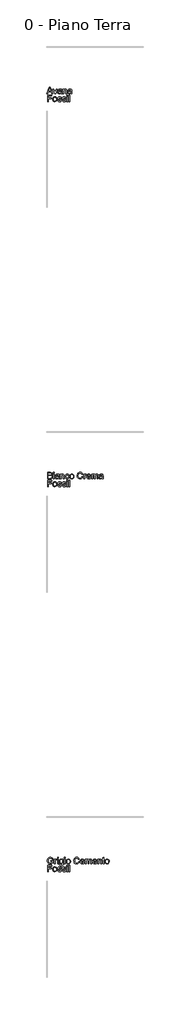
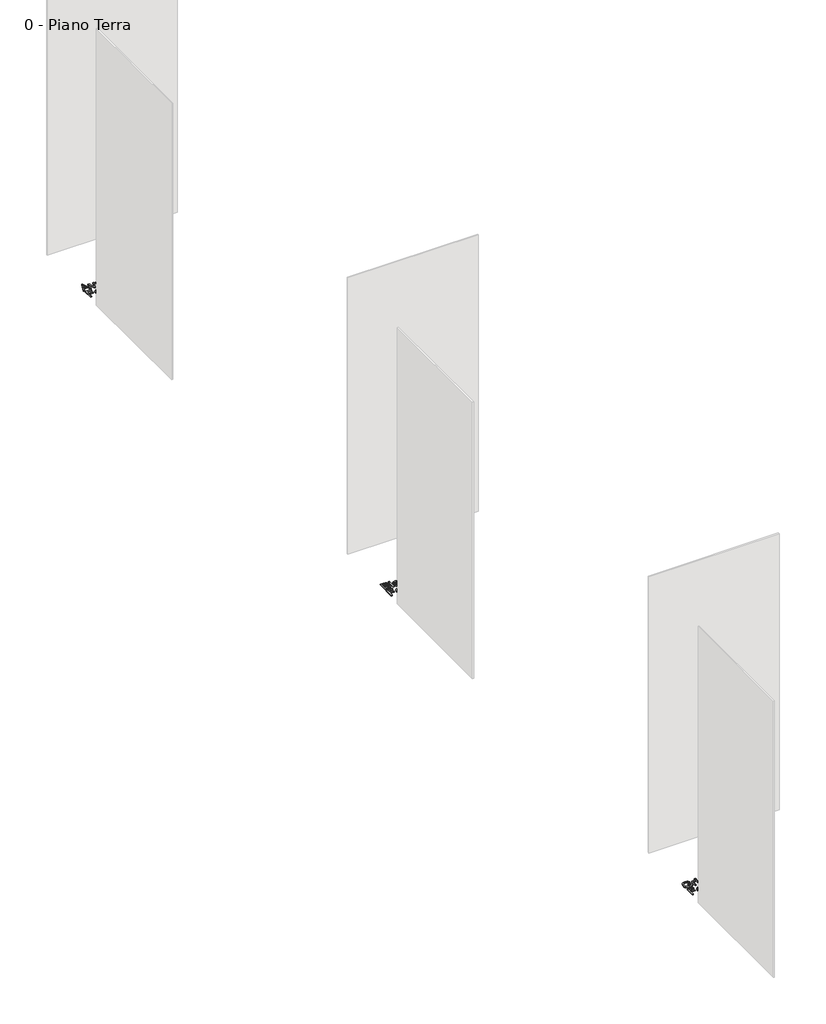
# One storey, part 3 of 35: 3 proxies.
"""IFC4 building model written with IfcOpenShell, lengths in millimetres."""

from ifc_helpers import new_model, si_unit, origin, origin_with_axes, place, context, project, spatial, polyline, outline, extrude, element, save

model = new_model("IFC4")

# Units and contexts
model_context = context("Model", 3, world=origin())
ifc_project = project(units=[si_unit("LENGTHUNIT", "METRE", prefix="MILLI")], contexts=[model_context])

# Site, building, storey
site = spatial("IfcSite", under=ifc_project)
building = spatial("IfcBuilding", under=site)
storey = spatial("IfcBuildingStorey", under=building, Name="0 - Piano Terra", Elevation=0.0)

# Proxies
placement = place(None, origin())
element("IfcBuildingElementProxy", 1, Name="Testo modello 1", ObjectType="Testo modello 1", at=placement, inside=storey, context=model_context, shape_type="SweptSolid", body=[
    extrude(outline(polyline([(-17279.9693984, -48273.7592352), (-17239.8702609, -48173.302925), (-17229.1771576, -48173.302925), (-17189.0780201, -48273.7592352), (-17202.3462974, -48273.7592352), (-17213.8487411, -48242.3666382), (-17255.2232028, -48242.3666382), (-17266.7011211, -48273.7592352), (-17279.9693984, -48273.7592352)]), holes=[polyline([(-17250.6124152, -48229.8095995), (-17218.4350033, -48229.8095995), (-17227.4849004, -48205.1124549), (-17234.5237092, -48185.8599638), (-17240.7777032, -48202.9542138), (-17250.6124152, -48229.8095995)])]), origin_with_axes(), (0.0, 0.0, 1.0), 10.0),
    extrude(outline(polyline([(-17159.1324257, -48273.7592352), (-17185.0803691, -48199.9866324), (-17171.7875663, -48199.9866324), (-17156.0667424, -48244.1815227), (-17151.3333274, -48259.0439553), (-17146.6980143, -48245.0153886), (-17130.8790885, -48199.9866324), (-17117.5862857, -48199.9866324), (-17143.215398, -48273.7592352), (-17159.1324257, -48273.7592352)])), origin_with_axes(), (0.0, 0.0, 1.0), 10.0),
    extrude(outline(polyline([(-17059.5099814, -48264.3414561), (-17071.6868754, -48272.8517929), (-17085.1390937, -48275.328865), (-17095.6329276, -48273.8389429), (-17103.373778, -48269.3691767), (-17108.1470468, -48262.5817539), (-17109.7381365, -48254.1388621), (-17107.3346408, -48244.2060482), (-17101.0193332, -48236.9955611), (-17092.2269535, -48232.8752828), (-17081.3621719, -48230.9868218), (-17059.5835578, -48226.6703398), (-17059.5099814, -48223.8744366), (-17062.9680721, -48214.6038103), (-17076.8494861, -48210.9740413), (-17089.5536777, -48213.3897997), (-17095.6114679, -48221.9614502), (-17108.1685066, -48220.3918204), (-17102.7361158, -48208.1290872), (-17091.7977578, -48200.9431256), (-17075.2308053, -48198.4170025), (-17060.0127535, -48200.64882), (-17051.4165775, -48206.252889), (-17047.5660793, -48214.7754886), (-17046.9529426, -48225.7628975), (-17046.9529426, -48241.3856196), (-17046.3152805, -48263.2010219), (-17043.8136829, -48273.7592352), (-17056.3707217, -48273.7592352), (-17059.5099814, -48264.3414561)]), holes=[polyline([(-17059.5099814, -48239.2273785), (-17079.7680166, -48243.0778768), (-17090.5714845, -48245.1134905), (-17095.4643151, -48248.4244284), (-17097.1810977, -48253.2559453), (-17093.4409641, -48260.0494995), (-17082.4658179, -48262.7718262), (-17069.7616263, -48259.7674566), (-17061.5701206, -48252.4956558), (-17059.5835578, -48242.7835712), (-17059.5099814, -48239.2273785)])]), origin_with_axes(), (0.0, 0.0, 1.0), 10.0),
    extrude(outline(polyline([(-17029.6870143, -48273.7592352), (-17029.6870143, -48199.9866324), (-17017.1299756, -48199.9866324), (-17017.1299756, -48210.2873283), (-17007.5282555, -48201.384584), (-16994.4193937, -48198.4170025), (-16982.5613307, -48200.8082355), (-16974.4679268, -48207.0867549), (-16970.7032678, -48216.320593), (-16970.0410802, -48228.4606988), (-16970.0410802, -48273.7592352), (-16982.5981189, -48273.7592352), (-16982.5981189, -48230.152956), (-16984.0451215, -48219.0429197), (-16989.1586812, -48213.1690705), (-16997.7793826, -48210.9740413), (-17011.4032792, -48215.90366), (-17015.6983015, -48223.0467021), (-17017.1299756, -48234.6165909), (-17017.1299756, -48273.7592352), (-17029.6870143, -48273.7592352)])), origin_with_axes(), (0.0, 0.0, 1.0), 10.0),
    extrude(outline(polyline([(-16905.6862565, -48264.3414561), (-16917.8631505, -48272.8517929), (-16931.3153688, -48275.328865), (-16941.8092027, -48273.8389429), (-16949.550053, -48269.3691767), (-16954.3233219, -48262.5817539), (-16955.9144116, -48254.1388621), (-16953.5109159, -48244.2060482), (-16947.1956083, -48236.9955611), (-16938.4032286, -48232.8752828), (-16927.538447, -48230.9868218), (-16905.7598329, -48226.6703398), (-16905.6862565, -48223.8744366), (-16909.1443472, -48214.6038103), (-16923.0257612, -48210.9740413), (-16935.7299528, -48213.3897997), (-16941.7877429, -48221.9614502), (-16954.3447817, -48220.3918204), (-16948.9123909, -48208.1290872), (-16937.9740329, -48200.9431256), (-16921.4070804, -48198.4170025), (-16906.1890285, -48200.64882), (-16897.5928526, -48206.252889), (-16893.7423544, -48214.7754886), (-16893.1292177, -48225.7628975), (-16893.1292177, -48241.3856196), (-16892.4915556, -48263.2010219), (-16889.989958, -48273.7592352), (-16902.5469968, -48273.7592352), (-16905.6862565, -48264.3414561)]), holes=[polyline([(-16905.6862565, -48239.2273785), (-16925.9442917, -48243.0778768), (-16936.7477596, -48245.1134905), (-16941.6405901, -48248.4244284), (-16943.3573728, -48253.2559453), (-16939.6172392, -48260.0494995), (-16928.642093, -48262.7718262), (-16915.9379014, -48259.7674566), (-16907.7463957, -48252.4956558), (-16905.7598329, -48242.7835712), (-16905.6862565, -48239.2273785)])]), origin_with_axes(), (0.0, 0.0, 1.0), 10.0),
    extrude(outline(polyline([(-17268.2707509, -48395.734053), (-17268.2707509, -48295.2777428), (-17200.7766675, -48295.2777428), (-17200.7766675, -48307.8347816), (-17255.7137122, -48307.8347816), (-17255.7137122, -48337.6577487), (-17208.6248168, -48337.6577487), (-17208.6248168, -48350.2147875), (-17255.7137122, -48350.2147875), (-17255.7137122, -48395.734053), (-17268.2707509, -48395.734053)])), origin_with_axes(), (0.0, 0.0, 1.0), 10.0),
    extrude(outline(polyline([(-17188.2196288, -48358.8477516), (-17185.5034334, -48341.0606571), (-17177.3548472, -48328.5588007), (-17167.2871432, -48322.4335655), (-17155.2328765, -48320.3918204), (-17142.0412413, -48322.8780895), (-17131.5044879, -48330.336897), (-17124.5975034, -48342.1796315), (-17122.2951752, -48357.817682), (-17126.3664027, -48380.1603819), (-17138.2244656, -48392.8032598), (-17155.2328765, -48397.3036828), (-17168.5839273, -48394.8266107), (-17179.108418, -48387.3953944), (-17185.9418261, -48375.3043395), (-17188.2196288, -48358.8477516)]), holes=[polyline([(-17175.66259, -48358.8232261), (-17174.2094561, -48370.1877141), (-17169.8500545, -48378.2841837), (-17163.2894922, -48383.131029), (-17155.2328765, -48384.7466441), (-17147.213049, -48383.1218319), (-17140.6647495, -48378.2473955), (-17136.3053479, -48370.043627), (-17134.852214, -48358.4308187), (-17136.3145449, -48347.3974245), (-17140.7015377, -48339.4113195), (-17147.2590343, -48334.5644742), (-17155.2328765, -48332.9488592), (-17163.2894922, -48334.5583429), (-17169.8500545, -48339.3867941), (-17174.2094561, -48347.4648695), (-17175.66259, -48358.8232261)])]), origin_with_axes(), (0.0, 0.0, 1.0), 10.0),
    extrude(outline(polyline([(-17112.8773962, -48373.7592352), (-17100.3203574, -48372.1896053), (-17094.5078219, -48381.5092825), (-17081.1904936, -48384.7466441), (-17068.3882002, -48381.7790626), (-17064.2188709, -48374.8138302), (-17068.4127257, -48369.1729729), (-17081.3376464, -48365.5922549), (-17100.246781, -48359.4486255), (-17108.4996004, -48352.2749266), (-17111.3077663, -48342.145909), (-17109.0514234, -48332.7894436), (-17102.8955314, -48325.6402702), (-17094.9124921, -48321.924662), (-17084.1090241, -48320.3918204), (-17068.8296586, -48322.8566298), (-17059.1175739, -48329.5275566), (-17054.8010919, -48340.7970084), (-17067.3581306, -48342.3666382), (-17072.0792829, -48335.438194), (-17083.1280055, -48332.9488592), (-17095.145484, -48335.3278294), (-17098.7507275, -48340.8705848), (-17097.2546741, -48344.5248793), (-17092.57031, -48347.296257), (-17081.7545794, -48349.9695328), (-17063.3236914, -48355.8801702), (-17054.7643037, -48362.5756225), (-17051.6618322, -48373.489455), (-17055.3038639, -48385.5069335), (-17065.8130262, -48394.2257368), (-17081.3621719, -48397.3036828), (-17094.0234439, -48395.8198921), (-17103.2634134, -48391.36852), (-17109.4315681, -48383.9986174), (-17112.8773962, -48373.7592352)])), origin_with_axes(), (0.0, 0.0, 1.0), 10.0),
    extrude(outline(polyline([(-17042.2440531, -48373.7592352), (-17029.6870143, -48372.1896053), (-17023.8744788, -48381.5092825), (-17010.5571506, -48384.7466441), (-16997.7548571, -48381.7790626), (-16993.5855279, -48374.8138302), (-16997.7793826, -48369.1729729), (-17010.7043034, -48365.5922549), (-17029.6134379, -48359.4486255), (-17037.8662573, -48352.2749266), (-17040.6744232, -48342.145909), (-17038.4180803, -48332.7894436), (-17032.2621883, -48325.6402702), (-17024.279149, -48321.924662), (-17013.4756811, -48320.3918204), (-16998.1963155, -48322.8566298), (-16988.4842309, -48329.5275566), (-16984.1677488, -48340.7970084), (-16996.7247876, -48342.3666382), (-17001.4459398, -48335.438194), (-17012.4946624, -48332.9488592), (-17024.5121409, -48335.3278294), (-17028.1173845, -48340.8705848), (-17026.621331, -48344.5248793), (-17021.936967, -48347.296257), (-17011.1212363, -48349.9695328), (-16992.6903483, -48355.8801702), (-16984.1309606, -48362.5756225), (-16981.0284891, -48373.489455), (-16984.6705208, -48385.5069335), (-16995.1796832, -48394.2257368), (-17010.7288288, -48397.3036828), (-17023.3901008, -48395.8198921), (-17032.6300703, -48391.36852), (-17038.7982251, -48383.9986174), (-17042.2440531, -48373.7592352)])), origin_with_axes(), (0.0, 0.0, 1.0), 10.0),
    extrude(outline(polyline([(-16966.9018205, -48307.8347816), (-16966.9018205, -48295.2777428), (-16954.3447817, -48295.2777428), (-16954.3447817, -48307.8347816), (-16966.9018205, -48307.8347816)])), origin_with_axes(), (0.0, 0.0, 1.0), 10.0),
    extrude(outline(polyline([(-16966.9018205, -48395.734053), (-16966.9018205, -48321.9614502), (-16954.3447817, -48321.9614502), (-16954.3447817, -48395.734053), (-16966.9018205, -48395.734053)])), origin_with_axes(), (0.0, 0.0, 1.0), 10.0),
    extrude(outline(polyline([(-16935.5092236, -48395.734053), (-16935.5092236, -48295.2777428), (-16922.9521848, -48295.2777428), (-16922.9521848, -48395.734053), (-16935.5092236, -48395.734053)])), origin_with_axes(), (0.0, 0.0, 1.0), 10.0),
])
element("IfcBuildingElementProxy", 2, Name="Testo modello 1", ObjectType="Testo modello 1", at=placement, inside=storey, context=model_context, shape_type="SweptSolid", body=[
    extrude(outline(polyline([(-17268.2707509, -54273.7592352), (-17268.2707509, -54173.302925), (-17229.937447, -54173.302925), (-17211.1632025, -54176.2582437), (-17200.0776918, -54185.344929), (-17196.067778, -54198.1962733), (-17199.4400296, -54209.931709), (-17209.6303609, -54218.8221905), (-17197.2572631, -54228.1909187), (-17192.9285183, -54243.8136407), (-17195.883837, -54257.31491), (-17203.2046887, -54266.9288928), (-17214.130784, -54272.0301898), (-17230.2317526, -54273.7592352), (-17268.2707509, -54273.7592352)]), holes=[polyline([(-17255.7137122, -54214.113301), (-17232.7824011, -54214.113301), (-17219.3914965, -54213.0341805), (-17211.3348808, -54208.3866046), (-17208.6248168, -54200.2073616), (-17211.1509398, -54192.0158558), (-17218.3859524, -54187.1720762), (-17234.5237092, -54185.8599638), (-17255.7137122, -54185.8599638), (-17255.7137122, -54214.113301)]), polyline([(-17255.7137122, -54261.2021964), (-17229.9619725, -54261.2021964), (-17220.6422953, -54260.7116871), (-17212.7573579, -54257.9770976), (-17207.5334335, -54252.397554), (-17205.4855571, -54243.9362681), (-17207.8890528, -54234.1751325), (-17215.6758883, -54228.3503342), (-17231.1882458, -54226.6703398), (-17255.7137122, -54226.6703398), (-17255.7137122, -54261.2021964)])]), origin_with_axes(), (0.0, 0.0, 1.0), 10.0),
    extrude(outline(polyline([(-17177.2322199, -54185.8599638), (-17177.2322199, -54173.302925), (-17164.6751811, -54173.302925), (-17164.6751811, -54185.8599638), (-17177.2322199, -54185.8599638)])), origin_with_axes(), (0.0, 0.0, 1.0), 10.0),
    extrude(outline(polyline([(-17177.2322199, -54273.7592352), (-17177.2322199, -54199.9866324), (-17164.6751811, -54199.9866324), (-17164.6751811, -54273.7592352), (-17177.2322199, -54273.7592352)])), origin_with_axes(), (0.0, 0.0, 1.0), 10.0),
    extrude(outline(polyline([(-17098.7507275, -54264.3414561), (-17110.9276216, -54272.8517929), (-17124.3798399, -54275.328865), (-17134.8736738, -54273.8389429), (-17142.6145241, -54269.3691767), (-17147.387793, -54262.5817539), (-17148.9788826, -54254.1388621), (-17146.5753869, -54244.2060482), (-17140.2600793, -54236.9955611), (-17131.4676997, -54232.8752828), (-17120.6029181, -54230.9868218), (-17098.8243039, -54226.6703398), (-17098.7507275, -54223.8744366), (-17102.2088183, -54214.6038103), (-17116.0902323, -54210.9740413), (-17128.7944238, -54213.3897997), (-17134.852214, -54221.9614502), (-17147.4092528, -54220.3918204), (-17141.976862, -54208.1290872), (-17131.038504, -54200.9431256), (-17114.4715515, -54198.4170025), (-17099.2534996, -54200.64882), (-17090.6573237, -54206.252889), (-17086.8068254, -54214.7754886), (-17086.1936888, -54225.7628975), (-17086.1936888, -54241.3856196), (-17085.5560267, -54263.2010219), (-17083.0544291, -54273.7592352), (-17095.6114679, -54273.7592352), (-17098.7507275, -54264.3414561)]), holes=[polyline([(-17098.7507275, -54239.2273785), (-17119.0087627, -54243.0778768), (-17129.8122307, -54245.1134905), (-17134.7050612, -54248.4244284), (-17136.4218439, -54253.2559453), (-17132.6817102, -54260.0494995), (-17121.706564, -54262.7718262), (-17109.0023725, -54259.7674566), (-17100.8108667, -54252.4956558), (-17098.8243039, -54242.7835712), (-17098.7507275, -54239.2273785)])]), origin_with_axes(), (0.0, 0.0, 1.0), 10.0),
    extrude(outline(polyline([(-17068.9277605, -54273.7592352), (-17068.9277605, -54199.9866324), (-17056.3707217, -54199.9866324), (-17056.3707217, -54210.2873283), (-17046.7690016, -54201.384584), (-17033.6601399, -54198.4170025), (-17021.8020769, -54200.8082355), (-17013.708673, -54207.0867549), (-17009.9440139, -54216.320593), (-17009.2818263, -54228.4606988), (-17009.2818263, -54273.7592352), (-17021.8388651, -54273.7592352), (-17021.8388651, -54230.152956), (-17023.2858676, -54219.0429197), (-17028.3994273, -54213.1690705), (-17037.0201288, -54210.9740413), (-17050.6440253, -54215.90366), (-17054.9390476, -54223.0467021), (-17056.3707217, -54234.6165909), (-17056.3707217, -54273.7592352), (-17068.9277605, -54273.7592352)])), origin_with_axes(), (0.0, 0.0, 1.0), 10.0),
    extrude(outline(polyline([(-16944.9270026, -54247.0755278), (-16932.3699639, -54248.6451576), (-16935.8709742, -54259.8134419), (-16942.4499305, -54268.253268), (-16951.4875649, -54273.5599657), (-16962.3646092, -54275.328865), (-16975.7217913, -54272.8609899), (-16986.1665743, -54265.4573648), (-16992.9080119, -54253.442952), (-16995.1551577, -54237.1427139), (-16991.3169222, -54216.2838048), (-16979.6182748, -54202.8806374), (-16962.5362875, -54198.4170025), (-16951.9259576, -54199.9498442), (-16943.4432119, -54204.5483691), (-16937.3578306, -54211.9673227), (-16933.9395937, -54221.9614502), (-16946.4966325, -54223.5310801), (-16952.3214307, -54214.1255637), (-16962.4381856, -54210.9740413), (-16970.5530493, -54212.5252771), (-16976.9940499, -54217.1789843), (-16981.1971017, -54225.1865491), (-16982.5981189, -54236.7993574), (-16981.2277585, -54248.5685155), (-16977.1166772, -54256.6036714), (-16970.7921726, -54261.2297875), (-16962.7815421, -54262.7718262), (-16950.9480046, -54258.921328), (-16944.9270026, -54247.0755278)])), origin_with_axes(), (0.0, 0.0, 1.0), 10.0),
    extrude(outline(polyline([(-16924.5218146, -54236.8729338), (-16921.8056192, -54219.0858393), (-16913.657033, -54206.5839828), (-16903.5893291, -54200.4587476), (-16891.5350624, -54198.4170025), (-16878.3434272, -54200.9032717), (-16867.8066737, -54208.3620791), (-16860.8996892, -54220.2048137), (-16858.5973611, -54235.8428642), (-16862.6685885, -54258.185564), (-16874.5266515, -54270.8284419), (-16891.5350624, -54275.328865), (-16904.8861131, -54272.8517929), (-16915.4106039, -54265.4205766), (-16922.2440119, -54253.3295217), (-16924.5218146, -54236.8729338)]), holes=[polyline([(-16911.9647759, -54236.8484083), (-16910.511642, -54248.2128963), (-16906.1522403, -54256.3093658), (-16899.5916781, -54261.1562111), (-16891.5350624, -54262.7718262), (-16883.5152349, -54261.1470141), (-16876.9669354, -54256.2725776), (-16872.6075337, -54248.0688092), (-16871.1543999, -54236.4560008), (-16872.6167308, -54225.4226067), (-16877.0037236, -54217.4365017), (-16883.5612202, -54212.5896564), (-16891.5350624, -54210.9740413), (-16899.5916781, -54212.583525), (-16906.1522403, -54217.4119762), (-16910.511642, -54225.4900517), (-16911.9647759, -54236.8484083)])]), origin_with_axes(), (0.0, 0.0, 1.0), 10.0),
    extrude(outline(polyline([(-16733.0269734, -54238.0501562), (-16720.4699346, -54241.2875177), (-16726.2640761, -54255.9200241), (-16735.3568927, -54266.6100617), (-16747.3007948, -54273.1491642), (-16761.6481926, -54275.328865), (-16776.213254, -54273.6795274), (-16787.780077, -54268.7315146), (-16796.6460331, -54260.6565048), (-16803.1084935, -54249.6261763), (-16808.369206, -54222.7707906), (-16806.8823496, -54208.1229558), (-16802.4217804, -54195.4739466), (-16795.2204904, -54185.2253673), (-16785.5114714, -54177.7788226), (-16773.9967649, -54173.244677), (-16761.3784125, -54171.7332952), (-16747.6104288, -54173.6892011), (-16736.2275468, -54179.5569189), (-16727.5853856, -54188.974698), (-16722.0395645, -54201.5807877), (-16734.5966033, -54204.5728946), (-16744.8972991, -54189.1341135), (-16761.8689218, -54184.2903339), (-16781.5138204, -54189.6614111), (-16792.6115939, -54204.0823853), (-16795.8121673, -54222.7462652), (-16792.0229827, -54244.3777265), (-16780.2262334, -54258.1978268), (-16762.8989914, -54262.7718262), (-16752.4174202, -54261.2144591), (-16743.6832885, -54256.5423578), (-16737.0890038, -54248.8045731), (-16733.0269734, -54238.0501562)])), origin_with_axes(), (0.0, 0.0, 1.0), 10.0),
    extrude(outline(polyline([(-16704.7736362, -54273.7592352), (-16704.7736362, -54199.9866324), (-16693.7862273, -54199.9866324), (-16693.7862273, -54210.9004649), (-16685.987129, -54200.8450237), (-16678.1389797, -54198.4170025), (-16665.53289, -54202.2920262), (-16669.7267448, -54213.5492153), (-16678.5559127, -54210.9740413), (-16685.6560352, -54213.4511134), (-16690.1809837, -54220.318244), (-16692.2165974, -54234.9844729), (-16692.2165974, -54273.7592352), (-16704.7736362, -54273.7592352)])), origin_with_axes(), (0.0, 0.0, 1.0), 10.0),
    extrude(outline(polyline([(-16606.0341087, -54251.7844173), (-16593.7223246, -54253.3540472), (-16598.1583683, -54262.6308048), (-16605.237031, -54269.5653804), (-16614.7988972, -54273.8879938), (-16626.6845513, -54275.328865), (-16641.4182252, -54272.8425958), (-16652.7551221, -54265.3837884), (-16659.9840033, -54253.4368206), (-16662.3936303, -54237.4860704), (-16659.9594778, -54220.9988257), (-16652.6570202, -54208.6686475), (-16641.4734075, -54200.9799138), (-16627.3957899, -54198.4170025), (-16613.7565649, -54200.9737824), (-16602.8580608, -54208.644122), (-16595.711953, -54220.9497747), (-16593.3299171, -54237.412494), (-16593.4034935, -54240.7970084), (-16649.8365916, -54240.7970084), (-16647.6630221, -54250.1963934), (-16642.6138417, -54257.1064435), (-16635.3267125, -54261.3554805), (-16626.4392967, -54262.7718262), (-16614.1275126, -54260.1476013), (-16606.0341087, -54251.7844173)]), holes=[polyline([(-16649.8365916, -54228.2399696), (-16605.8869559, -54228.2399696), (-16610.9146765, -54216.8601532), (-16618.2355282, -54212.4455693), (-16627.4448408, -54210.9740413), (-16642.9081473, -54215.6706681), (-16647.7733867, -54221.1613069), (-16649.8365916, -54228.2399696)])]), origin_with_axes(), (0.0, 0.0, 1.0), 10.0),
    extrude(outline(polyline([(-16580.7728783, -54273.7592352), (-16580.7728783, -54199.9866324), (-16568.2158396, -54199.9866324), (-16568.2158396, -54212.1267382), (-16559.5828754, -54202.1816616), (-16547.2956168, -54198.4170025), (-16534.7140525, -54202.255238), (-16527.797871, -54213.009655), (-16517.9999472, -54202.0651657), (-16505.6268495, -54198.4170025), (-16496.1876106, -54199.9345158), (-16489.2070497, -54204.4870555), (-16484.8936333, -54212.1972489), (-16483.4558279, -54223.1877235), (-16483.4558279, -54273.7592352), (-16496.0128666, -54273.7592352), (-16496.0128666, -54228.5833261), (-16497.1778263, -54218.0986893), (-16501.3962065, -54212.9360786), (-16508.5699054, -54210.9740413), (-16520.9184777, -54216.0017619), (-16524.6064947, -54222.5439301), (-16525.8358337, -54232.1149933), (-16525.8358337, -54273.7592352), (-16538.3928725, -54273.7592352), (-16538.3928725, -54227.1853746), (-16541.2991403, -54215.0207433), (-16550.8272839, -54210.9740413), (-16560.1224357, -54213.6718426), (-16566.3028532, -54221.5690428), (-16568.2158396, -54236.5541027), (-16568.2158396, -54273.7592352), (-16580.7728783, -54273.7592352)])), origin_with_axes(), (0.0, 0.0, 1.0), 10.0),
    extrude(outline(polyline([(-16417.5313743, -54264.3414561), (-16429.7082684, -54272.8517929), (-16443.1604867, -54275.328865), (-16453.6543206, -54273.8389429), (-16461.3951709, -54269.3691767), (-16466.1684398, -54262.5817539), (-16467.7595294, -54254.1388621), (-16465.3560337, -54244.2060482), (-16459.0407261, -54236.9955611), (-16450.2483464, -54232.8752828), (-16439.3835649, -54230.9868218), (-16417.6049507, -54226.6703398), (-16417.5313743, -54223.8744366), (-16420.9894651, -54214.6038103), (-16434.8708791, -54210.9740413), (-16447.5750706, -54213.3897997), (-16453.6328608, -54221.9614502), (-16466.1898996, -54220.3918204), (-16460.7575088, -54208.1290872), (-16449.8191508, -54200.9431256), (-16433.2521983, -54198.4170025), (-16418.0341464, -54200.64882), (-16409.4379705, -54206.252889), (-16405.5874722, -54214.7754886), (-16404.9743356, -54225.7628975), (-16404.9743356, -54241.3856196), (-16404.3366735, -54263.2010219), (-16401.8350759, -54273.7592352), (-16414.3921147, -54273.7592352), (-16417.5313743, -54264.3414561)]), holes=[polyline([(-16417.5313743, -54239.2273785), (-16437.7894095, -54243.0778768), (-16448.5928775, -54245.1134905), (-16453.485708, -54248.4244284), (-16455.2024907, -54253.2559453), (-16451.462357, -54260.0494995), (-16440.4872108, -54262.7718262), (-16427.7830193, -54259.7674566), (-16419.5915135, -54252.4956558), (-16417.6049507, -54242.7835712), (-16417.5313743, -54239.2273785)])]), origin_with_axes(), (0.0, 0.0, 1.0), 10.0),
    extrude(outline(polyline([(-17268.2707509, -54395.734053), (-17268.2707509, -54295.2777428), (-17200.7766675, -54295.2777428), (-17200.7766675, -54307.8347816), (-17255.7137122, -54307.8347816), (-17255.7137122, -54337.6577487), (-17208.6248168, -54337.6577487), (-17208.6248168, -54350.2147875), (-17255.7137122, -54350.2147875), (-17255.7137122, -54395.734053), (-17268.2707509, -54395.734053)])), origin_with_axes(), (0.0, 0.0, 1.0), 10.0),
    extrude(outline(polyline([(-17188.2196288, -54358.8477516), (-17185.5034334, -54341.0606571), (-17177.3548472, -54328.5588007), (-17167.2871432, -54322.4335655), (-17155.2328765, -54320.3918204), (-17142.0412413, -54322.8780895), (-17131.5044879, -54330.336897), (-17124.5975034, -54342.1796315), (-17122.2951752, -54357.817682), (-17126.3664027, -54380.1603819), (-17138.2244656, -54392.8032598), (-17155.2328765, -54397.3036828), (-17168.5839273, -54394.8266107), (-17179.108418, -54387.3953944), (-17185.9418261, -54375.3043395), (-17188.2196288, -54358.8477516)]), holes=[polyline([(-17175.66259, -54358.8232261), (-17174.2094561, -54370.1877141), (-17169.8500545, -54378.2841837), (-17163.2894922, -54383.131029), (-17155.2328765, -54384.7466441), (-17147.213049, -54383.1218319), (-17140.6647495, -54378.2473955), (-17136.3053479, -54370.043627), (-17134.852214, -54358.4308187), (-17136.3145449, -54347.3974245), (-17140.7015377, -54339.4113195), (-17147.2590343, -54334.5644742), (-17155.2328765, -54332.9488592), (-17163.2894922, -54334.5583429), (-17169.8500545, -54339.3867941), (-17174.2094561, -54347.4648695), (-17175.66259, -54358.8232261)])]), origin_with_axes(), (0.0, 0.0, 1.0), 10.0),
    extrude(outline(polyline([(-17112.8773962, -54373.7592352), (-17100.3203574, -54372.1896053), (-17094.5078219, -54381.5092825), (-17081.1904936, -54384.7466441), (-17068.3882002, -54381.7790626), (-17064.2188709, -54374.8138302), (-17068.4127257, -54369.1729729), (-17081.3376464, -54365.5922549), (-17100.246781, -54359.4486255), (-17108.4996004, -54352.2749266), (-17111.3077663, -54342.145909), (-17109.0514234, -54332.7894436), (-17102.8955314, -54325.6402702), (-17094.9124921, -54321.924662), (-17084.1090241, -54320.3918204), (-17068.8296586, -54322.8566298), (-17059.1175739, -54329.5275566), (-17054.8010919, -54340.7970084), (-17067.3581306, -54342.3666382), (-17072.0792829, -54335.438194), (-17083.1280055, -54332.9488592), (-17095.145484, -54335.3278294), (-17098.7507275, -54340.8705848), (-17097.2546741, -54344.5248793), (-17092.57031, -54347.296257), (-17081.7545794, -54349.9695328), (-17063.3236914, -54355.8801702), (-17054.7643037, -54362.5756225), (-17051.6618322, -54373.489455), (-17055.3038639, -54385.5069335), (-17065.8130262, -54394.2257368), (-17081.3621719, -54397.3036828), (-17094.0234439, -54395.8198921), (-17103.2634134, -54391.36852), (-17109.4315681, -54383.9986174), (-17112.8773962, -54373.7592352)])), origin_with_axes(), (0.0, 0.0, 1.0), 10.0),
    extrude(outline(polyline([(-17042.2440531, -54373.7592352), (-17029.6870143, -54372.1896053), (-17023.8744788, -54381.5092825), (-17010.5571506, -54384.7466441), (-16997.7548571, -54381.7790626), (-16993.5855279, -54374.8138302), (-16997.7793826, -54369.1729729), (-17010.7043034, -54365.5922549), (-17029.6134379, -54359.4486255), (-17037.8662573, -54352.2749266), (-17040.6744232, -54342.145909), (-17038.4180803, -54332.7894436), (-17032.2621883, -54325.6402702), (-17024.279149, -54321.924662), (-17013.4756811, -54320.3918204), (-16998.1963155, -54322.8566298), (-16988.4842309, -54329.5275566), (-16984.1677488, -54340.7970084), (-16996.7247876, -54342.3666382), (-17001.4459398, -54335.438194), (-17012.4946624, -54332.9488592), (-17024.5121409, -54335.3278294), (-17028.1173845, -54340.8705848), (-17026.621331, -54344.5248793), (-17021.936967, -54347.296257), (-17011.1212363, -54349.9695328), (-16992.6903483, -54355.8801702), (-16984.1309606, -54362.5756225), (-16981.0284891, -54373.489455), (-16984.6705208, -54385.5069335), (-16995.1796832, -54394.2257368), (-17010.7288288, -54397.3036828), (-17023.3901008, -54395.8198921), (-17032.6300703, -54391.36852), (-17038.7982251, -54383.9986174), (-17042.2440531, -54373.7592352)])), origin_with_axes(), (0.0, 0.0, 1.0), 10.0),
    extrude(outline(polyline([(-16966.9018205, -54307.8347816), (-16966.9018205, -54295.2777428), (-16954.3447817, -54295.2777428), (-16954.3447817, -54307.8347816), (-16966.9018205, -54307.8347816)])), origin_with_axes(), (0.0, 0.0, 1.0), 10.0),
    extrude(outline(polyline([(-16966.9018205, -54395.734053), (-16966.9018205, -54321.9614502), (-16954.3447817, -54321.9614502), (-16954.3447817, -54395.734053), (-16966.9018205, -54395.734053)])), origin_with_axes(), (0.0, 0.0, 1.0), 10.0),
    extrude(outline(polyline([(-16935.5092236, -54395.734053), (-16935.5092236, -54295.2777428), (-16922.9521848, -54295.2777428), (-16922.9521848, -54395.734053), (-16935.5092236, -54395.734053)])), origin_with_axes(), (0.0, 0.0, 1.0), 10.0),
])
element("IfcBuildingElementProxy", 3, Name="Testo modello 1", ObjectType="Testo modello 1", at=placement, inside=storey, context=model_context, shape_type="SweptSolid", body=[
    extrude(outline(polyline([(-17221.1818555, -60234.518489), (-17221.1818555, -60221.9614502), (-17180.3714795, -60221.9614502), (-17180.3714795, -60259.5099392), (-17200.5191501, -60271.3557394), (-17221.8195177, -60275.328865), (-17235.9063324, -60273.7500381), (-17248.6381151, -60269.0135574), (-17259.2147225, -60261.2849698), (-17266.8360111, -60250.7298223), (-17271.4437331, -60238.0685503), (-17272.9796405, -60224.0215894), (-17271.4498645, -60209.873461), (-17266.8605366, -60196.7124826), (-17259.4017292, -60185.6729571), (-17249.2635145, -60177.8891872), (-17236.9149422, -60173.2722682), (-17222.8250618, -60171.7332952), (-17203.1801632, -60175.3017505), (-17189.4091139, -60185.2345644), (-17181.8184821, -60201.8505678), (-17193.3945022, -60205.1124549), (-17199.1211986, -60193.4996465), (-17208.9068596, -60186.8041942), (-17223.0212655, -60184.2903339), (-17239.0977087, -60187.000398), (-17250.0360667, -60194.1127832), (-17256.4985271, -60203.7880797), (-17260.4226017, -60223.5065546), (-17255.7014494, -60245.3955333), (-17241.9671883, -60258.4921324), (-17222.8250618, -60262.7718262), (-17205.6449726, -60259.5467274), (-17192.9285183, -60252.6673341), (-17192.9285183, -60234.518489), (-17221.1818555, -60234.518489)])), origin_with_axes(), (0.0, 0.0, 1.0), 10.0),
    extrude(outline(polyline([(-17161.5359214, -60273.7592352), (-17161.5359214, -60199.9866324), (-17150.5485125, -60199.9866324), (-17150.5485125, -60210.9004649), (-17142.7494142, -60200.8450237), (-17134.9012649, -60198.4170025), (-17122.2951752, -60202.2920262), (-17126.48903, -60213.5492153), (-17135.3181979, -60210.9740413), (-17142.4183204, -60213.4511134), (-17146.9432689, -60220.318244), (-17148.9788826, -60234.9844729), (-17148.9788826, -60273.7592352), (-17161.5359214, -60273.7592352)])), origin_with_axes(), (0.0, 0.0, 1.0), 10.0),
    extrude(outline(polyline([(-17114.447026, -60185.8599638), (-17114.447026, -60173.302925), (-17101.8899872, -60173.302925), (-17101.8899872, -60185.8599638), (-17114.447026, -60185.8599638)])), origin_with_axes(), (0.0, 0.0, 1.0), 10.0),
    extrude(outline(polyline([(-17114.447026, -60273.7592352), (-17114.447026, -60199.9866324), (-17101.8899872, -60199.9866324), (-17101.8899872, -60273.7592352), (-17114.447026, -60273.7592352)])), origin_with_axes(), (0.0, 0.0, 1.0), 10.0),
    extrude(outline(polyline([(-17086.1936888, -60280.0377545), (-17073.63665, -60281.6073844), (-17069.5654226, -60288.2292603), (-17057.3762658, -60291.0251635), (-17044.5249215, -60287.8613783), (-17038.3935549, -60278.9831595), (-17037.5351635, -60264.3414561), (-17046.3765942, -60271.4047904), (-17057.1555366, -60273.7592352), (-17070.1019172, -60271.0185143), (-17079.7557539, -60262.7963517), (-17085.7614274, -60250.742085), (-17087.7633186, -60236.5050518), (-17084.1703378, -60217.0440942), (-17073.7715401, -60203.2730449), (-17057.7686733, -60198.4170025), (-17046.5666665, -60201.1638548), (-17037.5351635, -60209.4044115), (-17037.5351635, -60199.9866324), (-17024.9781248, -60199.9866324), (-17024.9781248, -60263.6792685), (-17028.4116901, -60288.0698448), (-17039.2887344, -60299.4128729), (-17057.6215205, -60303.5822022), (-17069.3048395, -60302.1137399), (-17078.5049551, -60297.708353), (-17084.4063954, -60290.3537788), (-17086.1936888, -60280.0377545)]), holes=[polyline([(-17075.2062799, -60235.6466605), (-17073.8665763, -60247.1644326), (-17069.8474655, -60255.0830925), (-17063.8050037, -60259.6724204), (-17056.3952472, -60261.2021964), (-17049.0406729, -60259.6816175), (-17042.9675543, -60255.1198807), (-17038.8932612, -60247.3023883), (-17037.5351635, -60236.0145424), (-17038.9331151, -60225.1283011), (-17043.1269699, -60217.2893489), (-17049.2889933, -60212.5528682), (-17056.5914509, -60210.9740413), (-17063.7620841, -60212.5283427), (-17069.7738891, -60217.191247), (-17073.8481822, -60224.9137032), (-17075.2062799, -60235.6466605)])]), origin_with_axes(), (0.0, 0.0, 1.0), 10.0),
    extrude(outline(polyline([(-17006.1425666, -60185.8599638), (-17006.1425666, -60173.302925), (-16993.5855279, -60173.302925), (-16993.5855279, -60185.8599638), (-17006.1425666, -60185.8599638)])), origin_with_axes(), (0.0, 0.0, 1.0), 10.0),
    extrude(outline(polyline([(-17006.1425666, -60273.7592352), (-17006.1425666, -60199.9866324), (-16993.5855279, -60199.9866324), (-16993.5855279, -60273.7592352), (-17006.1425666, -60273.7592352)])), origin_with_axes(), (0.0, 0.0, 1.0), 10.0),
    extrude(outline(polyline([(-16977.8892294, -60236.8729338), (-16975.173034, -60219.0858393), (-16967.0244478, -60206.5839828), (-16956.9567439, -60200.4587476), (-16944.9024772, -60198.4170025), (-16931.710842, -60200.9032717), (-16921.1740885, -60208.3620791), (-16914.267104, -60220.2048137), (-16911.9647759, -60235.8428642), (-16916.0360033, -60258.185564), (-16927.8940663, -60270.8284419), (-16944.9024772, -60275.328865), (-16958.2535279, -60272.8517929), (-16968.7780187, -60265.4205766), (-16975.6114267, -60253.3295217), (-16977.8892294, -60236.8729338)]), holes=[polyline([(-16965.3321906, -60236.8484083), (-16963.8790567, -60248.2128963), (-16959.5196551, -60256.3093658), (-16952.9590929, -60261.1562111), (-16944.9024772, -60262.7718262), (-16936.8826497, -60261.1470141), (-16930.3343502, -60256.2725776), (-16925.9749485, -60248.0688092), (-16924.5218146, -60236.4560008), (-16925.9841456, -60225.4226067), (-16930.3711384, -60217.4365017), (-16936.9286349, -60212.5896564), (-16944.9024772, -60210.9740413), (-16952.9590929, -60212.583525), (-16959.5196551, -60217.4119762), (-16963.8790567, -60225.4900517), (-16965.3321906, -60236.8484083)])]), origin_with_axes(), (0.0, 0.0, 1.0), 10.0),
    extrude(outline(polyline([(-16786.3943882, -60238.0501562), (-16773.8373494, -60241.2875177), (-16779.6314908, -60255.9200241), (-16788.7243075, -60266.6100617), (-16800.6682096, -60273.1491642), (-16815.0156074, -60275.328865), (-16829.5806687, -60273.6795274), (-16841.1474918, -60268.7315146), (-16850.0134479, -60260.6565048), (-16856.4759083, -60249.6261763), (-16861.7366208, -60222.7707906), (-16860.2497644, -60208.1229558), (-16855.7891952, -60195.4739466), (-16848.5879051, -60185.2253673), (-16838.8788862, -60177.7788226), (-16827.3641797, -60173.244677), (-16814.7458273, -60171.7332952), (-16800.9778436, -60173.6892011), (-16789.5949615, -60179.5569189), (-16780.9528003, -60188.974698), (-16775.4069793, -60201.5807877), (-16787.964018, -60204.5728946), (-16798.2647139, -60189.1341135), (-16815.2363366, -60184.2903339), (-16834.8812351, -60189.6614111), (-16845.9790087, -60204.0823853), (-16849.179582, -60222.7462652), (-16845.3903975, -60244.3777265), (-16833.5936482, -60258.1978268), (-16816.2664062, -60262.7718262), (-16805.784835, -60261.2144591), (-16797.0507033, -60256.5423578), (-16790.4564185, -60248.8045731), (-16786.3943882, -60238.0501562)])), origin_with_axes(), (0.0, 0.0, 1.0), 10.0),
    extrude(outline(polyline([(-16706.4904188, -60251.7844173), (-16694.1786347, -60253.3540472), (-16698.6146784, -60262.6308048), (-16705.6933412, -60269.5653804), (-16715.2552074, -60273.8879938), (-16727.1408615, -60275.328865), (-16741.8745354, -60272.8425958), (-16753.2114322, -60265.3837884), (-16760.4403134, -60253.4368206), (-16762.8499405, -60237.4860704), (-16760.4157879, -60220.9988257), (-16753.1133303, -60208.6686475), (-16741.9297177, -60200.9799138), (-16727.8521, -60198.4170025), (-16714.212875, -60200.9737824), (-16703.3143709, -60208.644122), (-16696.1682632, -60220.9497747), (-16693.7862273, -60237.412494), (-16693.8598037, -60240.7970084), (-16750.2929017, -60240.7970084), (-16748.1193323, -60250.1963934), (-16743.0701519, -60257.1064435), (-16735.7830227, -60261.3554805), (-16726.8956068, -60262.7718262), (-16714.5838227, -60260.1476013), (-16706.4904188, -60251.7844173)]), holes=[polyline([(-16750.2929017, -60228.2399696), (-16706.343266, -60228.2399696), (-16711.3709866, -60216.8601532), (-16718.6918383, -60212.4455693), (-16727.9011509, -60210.9740413), (-16743.3644575, -60215.6706681), (-16748.2296969, -60221.1613069), (-16750.2929017, -60228.2399696)])]), origin_with_axes(), (0.0, 0.0, 1.0), 10.0),
    extrude(outline(polyline([(-16681.2291885, -60273.7592352), (-16681.2291885, -60199.9866324), (-16668.6721497, -60199.9866324), (-16668.6721497, -60212.1267382), (-16660.0391856, -60202.1816616), (-16647.7519269, -60198.4170025), (-16635.1703627, -60202.255238), (-16628.2541812, -60213.009655), (-16618.4562574, -60202.0651657), (-16606.0831596, -60198.4170025), (-16596.6439207, -60199.9345158), (-16589.6633599, -60204.4870555), (-16585.3499435, -60212.1972489), (-16583.912138, -60223.1877235), (-16583.912138, -60273.7592352), (-16596.4691768, -60273.7592352), (-16596.4691768, -60228.5833261), (-16597.6341365, -60218.0986893), (-16601.8525167, -60212.9360786), (-16609.0262156, -60210.9740413), (-16621.3747879, -60216.0017619), (-16625.0628049, -60222.5439301), (-16626.2921439, -60232.1149933), (-16626.2921439, -60273.7592352), (-16638.8491826, -60273.7592352), (-16638.8491826, -60227.1853746), (-16641.7554504, -60215.0207433), (-16651.2835941, -60210.9740413), (-16660.5787458, -60213.6718426), (-16666.7591633, -60221.5690428), (-16668.6721497, -60236.5541027), (-16668.6721497, -60273.7592352), (-16681.2291885, -60273.7592352)])), origin_with_axes(), (0.0, 0.0, 1.0), 10.0),
    extrude(outline(polyline([(-16513.4259478, -60251.7844173), (-16501.1141636, -60253.3540472), (-16505.5502074, -60262.6308048), (-16512.6288701, -60269.5653804), (-16522.1907363, -60273.8879938), (-16534.0763904, -60275.328865), (-16548.8100643, -60272.8425958), (-16560.1469611, -60265.3837884), (-16567.3758423, -60253.4368206), (-16569.7854694, -60237.4860704), (-16567.3513169, -60220.9988257), (-16560.0488593, -60208.6686475), (-16548.8652466, -60200.9799138), (-16534.7876289, -60198.4170025), (-16521.148404, -60200.9737824), (-16510.2498999, -60208.644122), (-16503.1037921, -60220.9497747), (-16500.7217562, -60237.412494), (-16500.7953326, -60240.7970084), (-16557.2284306, -60240.7970084), (-16555.0548612, -60250.1963934), (-16550.0056808, -60257.1064435), (-16542.7185516, -60261.3554805), (-16533.8311358, -60262.7718262), (-16521.5193516, -60260.1476013), (-16513.4259478, -60251.7844173)]), holes=[polyline([(-16557.2284306, -60228.2399696), (-16513.278795, -60228.2399696), (-16518.3065156, -60216.8601532), (-16525.6273673, -60212.4455693), (-16534.8366799, -60210.9740413), (-16550.2999864, -60215.6706681), (-16555.1652258, -60221.1613069), (-16557.2284306, -60228.2399696)])]), origin_with_axes(), (0.0, 0.0, 1.0), 10.0),
    extrude(outline(polyline([(-16488.1647174, -60273.7592352), (-16488.1647174, -60199.9866324), (-16475.6076787, -60199.9866324), (-16475.6076787, -60210.2873283), (-16466.0059586, -60201.384584), (-16452.8970968, -60198.4170025), (-16441.0390338, -60200.8082355), (-16432.9456299, -60207.0867549), (-16429.1809709, -60216.320593), (-16428.5187833, -60228.4606988), (-16428.5187833, -60273.7592352), (-16441.075822, -60273.7592352), (-16441.075822, -60230.152956), (-16442.5228246, -60219.0429197), (-16447.6363843, -60213.1690705), (-16456.2570857, -60210.9740413), (-16469.8809823, -60215.90366), (-16474.1760046, -60223.0467021), (-16475.6076787, -60234.6165909), (-16475.6076787, -60273.7592352), (-16488.1647174, -60273.7592352)])), origin_with_axes(), (0.0, 0.0, 1.0), 10.0),
    extrude(outline(polyline([(-16384.5691476, -60263.286861), (-16382.9995177, -60274.1271171), (-16392.3927713, -60275.328865), (-16402.9141964, -60273.2442004), (-16408.1626462, -60267.7750214), (-16409.6832251, -60253.5257254), (-16409.6832251, -60212.5436712), (-16419.1010042, -60212.5436712), (-16419.1010042, -60199.9866324), (-16409.6832251, -60199.9866324), (-16409.6832251, -60182.0585165), (-16397.1261863, -60174.6763511), (-16397.1261863, -60199.9866324), (-16384.5691476, -60199.9866324), (-16384.5691476, -60212.5436712), (-16397.1261863, -60212.5436712), (-16397.1261863, -60253.1578434), (-16396.4639988, -60259.6325665), (-16394.3180204, -60261.9256976), (-16390.0383266, -60262.7718262), (-16384.5691476, -60263.286861)])), origin_with_axes(), (0.0, 0.0, 1.0), 10.0),
    extrude(outline(polyline([(-16375.1513685, -60236.8729338), (-16372.4351731, -60219.0858393), (-16364.2865869, -60206.5839828), (-16354.218883, -60200.4587476), (-16342.1646163, -60198.4170025), (-16328.9729811, -60200.9032717), (-16318.4362276, -60208.3620791), (-16311.5292431, -60220.2048137), (-16309.226915, -60235.8428642), (-16313.2981424, -60258.185564), (-16325.1562054, -60270.8284419), (-16342.1646163, -60275.328865), (-16355.515667, -60272.8517929), (-16366.0401578, -60265.4205766), (-16372.8735658, -60253.3295217), (-16375.1513685, -60236.8729338)]), holes=[polyline([(-16362.5943297, -60236.8484083), (-16361.1411959, -60248.2128963), (-16356.7817942, -60256.3093658), (-16350.221232, -60261.1562111), (-16342.1646163, -60262.7718262), (-16334.1447888, -60261.1470141), (-16327.5964893, -60256.2725776), (-16323.2370876, -60248.0688092), (-16321.7839537, -60236.4560008), (-16323.2462847, -60225.4226067), (-16327.6332775, -60217.4365017), (-16334.190774, -60212.5896564), (-16342.1646163, -60210.9740413), (-16350.221232, -60212.583525), (-16356.7817942, -60217.4119762), (-16361.1411959, -60225.4900517), (-16362.5943297, -60236.8484083)])]), origin_with_axes(), (0.0, 0.0, 1.0), 10.0),
    extrude(outline(polyline([(-17268.2707509, -60395.734053), (-17268.2707509, -60295.2777428), (-17200.7766675, -60295.2777428), (-17200.7766675, -60307.8347816), (-17255.7137122, -60307.8347816), (-17255.7137122, -60337.6577487), (-17208.6248168, -60337.6577487), (-17208.6248168, -60350.2147875), (-17255.7137122, -60350.2147875), (-17255.7137122, -60395.734053), (-17268.2707509, -60395.734053)])), origin_with_axes(), (0.0, 0.0, 1.0), 10.0),
    extrude(outline(polyline([(-17188.2196288, -60358.8477516), (-17185.5034334, -60341.0606571), (-17177.3548472, -60328.5588007), (-17167.2871432, -60322.4335655), (-17155.2328765, -60320.3918204), (-17142.0412413, -60322.8780895), (-17131.5044879, -60330.336897), (-17124.5975034, -60342.1796315), (-17122.2951752, -60357.817682), (-17126.3664027, -60380.1603819), (-17138.2244656, -60392.8032598), (-17155.2328765, -60397.3036828), (-17168.5839273, -60394.8266107), (-17179.108418, -60387.3953944), (-17185.9418261, -60375.3043395), (-17188.2196288, -60358.8477516)]), holes=[polyline([(-17175.66259, -60358.8232261), (-17174.2094561, -60370.1877141), (-17169.8500545, -60378.2841837), (-17163.2894922, -60383.131029), (-17155.2328765, -60384.7466441), (-17147.213049, -60383.1218319), (-17140.6647495, -60378.2473955), (-17136.3053479, -60370.043627), (-17134.852214, -60358.4308187), (-17136.3145449, -60347.3974245), (-17140.7015377, -60339.4113195), (-17147.2590343, -60334.5644742), (-17155.2328765, -60332.9488592), (-17163.2894922, -60334.5583429), (-17169.8500545, -60339.3867941), (-17174.2094561, -60347.4648695), (-17175.66259, -60358.8232261)])]), origin_with_axes(), (0.0, 0.0, 1.0), 10.0),
    extrude(outline(polyline([(-17112.8773962, -60373.7592352), (-17100.3203574, -60372.1896053), (-17094.5078219, -60381.5092825), (-17081.1904936, -60384.7466441), (-17068.3882002, -60381.7790626), (-17064.2188709, -60374.8138302), (-17068.4127257, -60369.1729729), (-17081.3376464, -60365.5922549), (-17100.246781, -60359.4486255), (-17108.4996004, -60352.2749266), (-17111.3077663, -60342.145909), (-17109.0514234, -60332.7894436), (-17102.8955314, -60325.6402702), (-17094.9124921, -60321.924662), (-17084.1090241, -60320.3918204), (-17068.8296586, -60322.8566298), (-17059.1175739, -60329.5275566), (-17054.8010919, -60340.7970084), (-17067.3581306, -60342.3666382), (-17072.0792829, -60335.438194), (-17083.1280055, -60332.9488592), (-17095.145484, -60335.3278294), (-17098.7507275, -60340.8705848), (-17097.2546741, -60344.5248793), (-17092.57031, -60347.296257), (-17081.7545794, -60349.9695328), (-17063.3236914, -60355.8801702), (-17054.7643037, -60362.5756225), (-17051.6618322, -60373.489455), (-17055.3038639, -60385.5069335), (-17065.8130262, -60394.2257368), (-17081.3621719, -60397.3036828), (-17094.0234439, -60395.8198921), (-17103.2634134, -60391.36852), (-17109.4315681, -60383.9986174), (-17112.8773962, -60373.7592352)])), origin_with_axes(), (0.0, 0.0, 1.0), 10.0),
    extrude(outline(polyline([(-17042.2440531, -60373.7592352), (-17029.6870143, -60372.1896053), (-17023.8744788, -60381.5092825), (-17010.5571506, -60384.7466441), (-16997.7548571, -60381.7790626), (-16993.5855279, -60374.8138302), (-16997.7793826, -60369.1729729), (-17010.7043034, -60365.5922549), (-17029.6134379, -60359.4486255), (-17037.8662573, -60352.2749266), (-17040.6744232, -60342.145909), (-17038.4180803, -60332.7894436), (-17032.2621883, -60325.6402702), (-17024.279149, -60321.924662), (-17013.4756811, -60320.3918204), (-16998.1963155, -60322.8566298), (-16988.4842309, -60329.5275566), (-16984.1677488, -60340.7970084), (-16996.7247876, -60342.3666382), (-17001.4459398, -60335.438194), (-17012.4946624, -60332.9488592), (-17024.5121409, -60335.3278294), (-17028.1173845, -60340.8705848), (-17026.621331, -60344.5248793), (-17021.936967, -60347.296257), (-17011.1212363, -60349.9695328), (-16992.6903483, -60355.8801702), (-16984.1309606, -60362.5756225), (-16981.0284891, -60373.489455), (-16984.6705208, -60385.5069335), (-16995.1796832, -60394.2257368), (-17010.7288288, -60397.3036828), (-17023.3901008, -60395.8198921), (-17032.6300703, -60391.36852), (-17038.7982251, -60383.9986174), (-17042.2440531, -60373.7592352)])), origin_with_axes(), (0.0, 0.0, 1.0), 10.0),
    extrude(outline(polyline([(-16966.9018205, -60307.8347816), (-16966.9018205, -60295.2777428), (-16954.3447817, -60295.2777428), (-16954.3447817, -60307.8347816), (-16966.9018205, -60307.8347816)])), origin_with_axes(), (0.0, 0.0, 1.0), 10.0),
    extrude(outline(polyline([(-16966.9018205, -60395.734053), (-16966.9018205, -60321.9614502), (-16954.3447817, -60321.9614502), (-16954.3447817, -60395.734053), (-16966.9018205, -60395.734053)])), origin_with_axes(), (0.0, 0.0, 1.0), 10.0),
    extrude(outline(polyline([(-16935.5092236, -60395.734053), (-16935.5092236, -60295.2777428), (-16922.9521848, -60295.2777428), (-16922.9521848, -60395.734053), (-16935.5092236, -60395.734053)])), origin_with_axes(), (0.0, 0.0, 1.0), 10.0),
])

save(model, "model.ifc")
